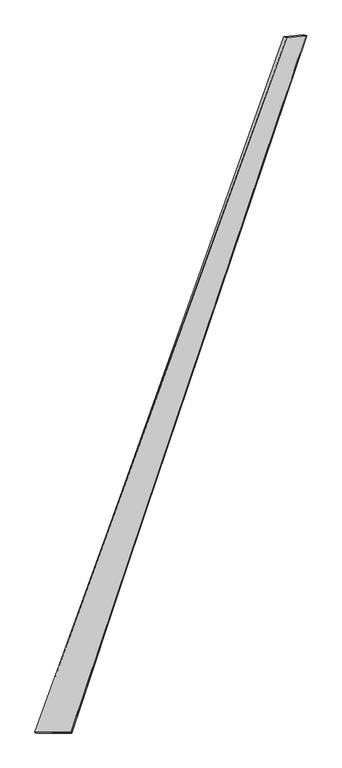
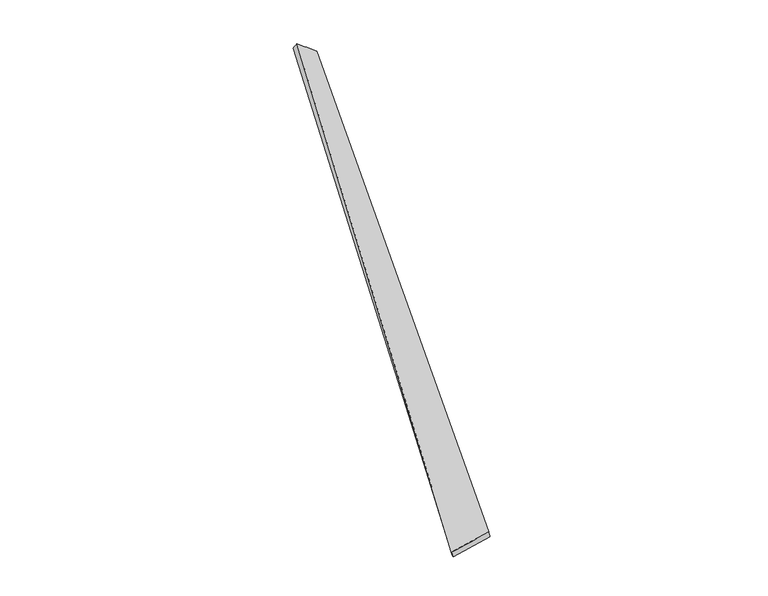
"""IFC4 building model written with IfcOpenShell, lengths in millimetres: proxy geometry."""

from ifc_helpers import new_model, si_unit, frame, origin, place, context, project, spatial, source, transform, mapped, element, save
from ifc_brep_helpers import plane_surface, spline_surface, advanced_brep


def generic_models_87103adf(model_context):
    return source(origin(), model_context, "Body", "AdvancedBrep", [
        advanced_brep(
        [(-722.5709536, -1830.5130824, -24.4849502), (-730.3425554, -1828.2518219, 4.4025714), (729.1438116, 2199.38546, 69.3057345), (712.0600322, 2205.8700679, 45.5129973), (-522.3985053, -1829.7770096, 53.6442297), (846.8328049, 2210.6766913, -23.8075973), (-516.4248078, -1832.2633108, 24.3503183), (826.9357292, 2216.9063253, -45.3783654)],
        [
            (0, 1),
            (1, 2),
            (2, 3),
            (3, 0),
            (1, 4),
            (4, 5),
            (5, 2),
            (4, 6),
            (6, 7),
            (7, 5),
            (6, 0),
            (3, 7),
        ],
        [
            spline_surface(1, 1, [[(-722.5709536, -1830.5130824, -24.4849502), (712.0600322, 2205.8700679, 45.5129973)], [(-730.3425554, -1828.2518219, 4.4025714), (729.1438116, 2199.38546, 69.3057345)]], [2, 2], [2, 2], [0.0, 1.0], [0.0, 1.0]),
            spline_surface(1, 1, [[(-730.3425554, -1828.2518219, 4.4025714), (729.1438116, 2199.38546, 69.3057345)], [(-522.3985053, -1829.7770096, 53.6442297), (846.8328049, 2210.6766913, -23.8075973)]], [2, 2], [2, 2], [0.0, 1.0], [0.0, 1.0]),
            spline_surface(1, 1, [[(-522.3985053, -1829.7770096, 53.6442297), (846.8328049, 2210.6766913, -23.8075973)], [(-516.4248078, -1832.2633108, 24.3503183), (826.9357292, 2216.9063253, -45.3783654)]], [2, 2], [2, 2], [0.0, 1.0], [0.0, 1.0]),
            spline_surface(1, 1, [[(-516.4248078, -1832.2633108, 24.3503183), (826.9357292, 2216.9063253, -45.3783654)], [(-722.5709536, -1830.5130824, -24.4849502), (712.0600322, 2205.8700679, 45.5129973)]], [2, 2], [2, 2], [0.0, 1.0], [0.0, 1.0]),
            plane_surface(frame((778.7430945, 2208.2096361, 11.4081923), z_axis=(0.0743756850201715, 0.9743994888628742, 0.21216477931445166), x_axis=(0.5694593138072281, -0.21615359670315792, 0.7930912384779506))),
            spline_surface(1, 1, [[(-516.4248078, -1832.2633108, 24.3503183), (-722.5709536, -1830.5130824, -24.4849502)], [(-522.3985053, -1829.7770096, 53.6442297), (-730.3425554, -1828.2518219, 4.4025714)]], [2, 2], [2, 2], [0.0, 1.0], [0.0, 1.0]),
        ],
        [
            (0, [[1, 2, 3, 4]]),
            (1, [[5, 6, 7, -2]]),
            (2, [[8, 9, 10, -6]]),
            (3, [[11, -4, 12, -9]]),
            (4, [[-3, -7, -10, -12]]),
            (5, [[-11, -8, -5, -1]]),
        ],
    ),
    ])


if __name__ == "__main__":
    model = new_model("IFC4")
    model_context = context("Model", 3, world=origin())
    ifc_project = project(units=[si_unit("LENGTHUNIT", "METRE", prefix="MILLI")], contexts=[model_context])
    site = spatial("IfcSite", under=ifc_project)
    building = spatial("IfcBuilding", under=site)
    placement = place(None, origin())
    generic_models_shape = generic_models_87103adf(model_context)
    element("IfcBuildingElementProxy", 1, Name="Generic Models", at=placement, inside=building, context=model_context, shape_type="MappedRepresentation", body=[
        mapped(generic_models_shape, transform((0.0, 0.0, 0.0), x_axis=(1.0, 0.0, 0.0), y_axis=(0.0, 1.0, 0.0), z_axis=(0.0, 0.0, 1.0))),
    ])
    save(model, "model.ifc")
